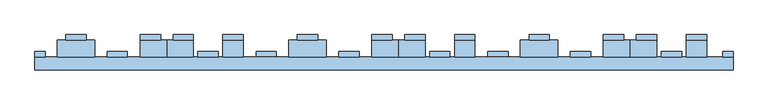
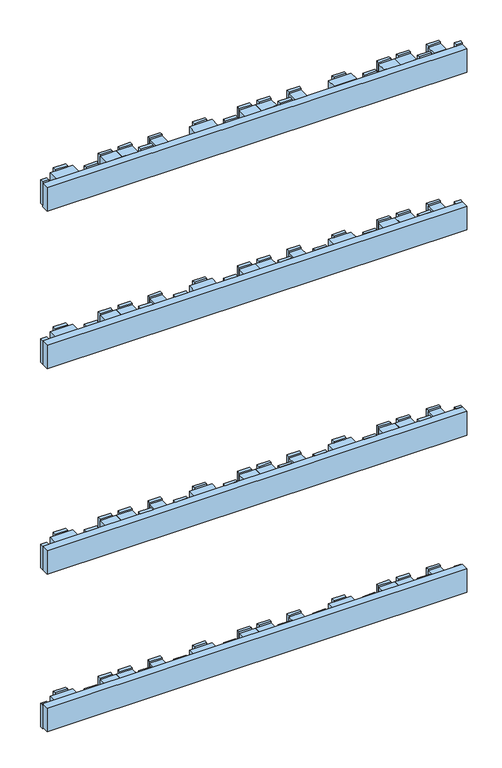
"""IFC4 building model written with IfcOpenShell, lengths in millimetres: window geometry."""

from ifc_helpers import new_model, si_unit, frame, origin, place, context, project, spatial, polyline, outline, extrude, source, transform, mapped, element, save


def window_271aa2dc(model_context):
    return source(origin(), model_context, "Body", "SweptSolid", [
        extrude(outline(polyline([(463.4988192, -10.0), (463.4988192, 16.0), (494.4988192, 16.0), (494.4988192, -10.0), (463.4988192, -10.0)])), frame((0.0, 0.0, 1523.0), z_axis=(0.0, 0.0, 1.0), x_axis=(1.0, 0.0, 0.0)), (0.0, 0.0, 1.0), 55.0),
        extrude(outline(polyline([(463.4988192, -10.0), (463.4988192, 16.0), (494.4988192, 16.0), (494.4988192, -10.0), (463.4988192, -10.0)])), frame((0.0, 0.0, 1097.5), z_axis=(0.0, 0.0, 1.0), x_axis=(1.0, 0.0, 0.0)), (0.0, 0.0, 1.0), 55.0),
        extrude(outline(polyline([(463.4988192, -10.0), (463.4988192, 16.0), (494.4988192, 16.0), (494.4988192, -10.0), (463.4988192, -10.0)])), frame((0.0, 0.0, 547.5), z_axis=(0.0, 0.0, 1.0), x_axis=(1.0, 0.0, 0.0)), (0.0, 0.0, 1.0), 55.0),
        extrude(outline(polyline([(463.4988192, -10.0), (463.4988192, 16.0), (494.4988192, 16.0), (494.4988192, -10.0), (463.4988192, -10.0)])), frame((0.0, 0.0, 121.986838), z_axis=(0.0, 0.0, 1.0), x_axis=(1.0, 0.0, 0.0)), (0.0, 0.0, 1.0), 55.0),
        extrude(outline(polyline([(463.4988192, 16.0), (463.4988192, 23.9), (494.4988192, 23.9), (494.4988192, 16.0), (463.4988192, 16.0)])), frame((0.0, 0.0, 1093.5), z_axis=(0.0, 0.0, 1.0), x_axis=(1.0, 0.0, 0.0)), (0.0, 0.0, 1.0), 63.0),
        extrude(outline(polyline([(463.4988192, 16.0), (463.4988192, 23.9), (494.4988192, 23.9), (494.4988192, 16.0), (463.4988192, 16.0)])), frame((0.0, 0.0, 543.5), z_axis=(0.0, 0.0, 1.0), x_axis=(1.0, 0.0, 0.0)), (0.0, 0.0, 1.0), 63.0),
        extrude(outline(polyline([(463.4988192, 16.0), (463.4988192, 23.9), (494.4988192, 23.9), (494.4988192, 16.0), (463.4988192, 16.0)])), frame((0.0, 0.0, 1519.0), z_axis=(0.0, 0.0, 1.0), x_axis=(1.0, 0.0, 0.0)), (0.0, 0.0, 1.0), 63.0),
        extrude(outline(polyline([(463.4988192, 16.0), (463.4988192, 23.9), (494.4988192, 23.9), (494.4988192, 16.0), (463.4988192, 16.0)])), frame((0.0, 0.0, 118.0), z_axis=(0.0, 0.0, 1.0), x_axis=(1.0, 0.0, 0.0)), (0.0, 0.0, 1.0), 63.0),
        extrude(outline(polyline([(425.4988192, -10.0), (425.4988192, -2.1), (456.4988192, -2.1), (456.4988192, -10.0), (425.4988192, -10.0)])), frame((0.0, 0.0, 1093.5), z_axis=(0.0, 0.0, 1.0), x_axis=(1.0, 0.0, 0.0)), (0.0, 0.0, 1.0), 63.0),
        extrude(outline(polyline([(425.4988192, -10.0), (425.4988192, -2.1), (456.4988192, -2.1), (456.4988192, -10.0), (425.4988192, -10.0)])), frame((0.0, 0.0, 543.5), z_axis=(0.0, 0.0, 1.0), x_axis=(1.0, 0.0, 0.0)), (0.0, 0.0, 1.0), 63.0),
        extrude(outline(polyline([(425.4988192, -10.0), (425.4988192, -2.1), (456.4988192, -2.1), (456.4988192, -10.0), (425.4988192, -10.0)])), frame((0.0, 0.0, 1519.0), z_axis=(0.0, 0.0, 1.0), x_axis=(1.0, 0.0, 0.0)), (0.0, 0.0, 1.0), 63.0),
        extrude(outline(polyline([(425.4988192, -10.0), (425.4988192, -2.1), (456.4988192, -2.1), (456.4988192, -10.0), (425.4988192, -10.0)])), frame((0.0, 0.0, 118.0), z_axis=(0.0, 0.0, 1.0), x_axis=(1.0, 0.0, 0.0)), (0.0, 0.0, 1.0), 63.0),
        extrude(outline(polyline([(378.5, -10.0), (378.5, 16.0), (418.5, 16.0), (418.5, -10.0), (378.5, -10.0)])), frame((0.0, 0.0, 1523.0), z_axis=(0.0, 0.0, 1.0), x_axis=(1.0, 0.0, 0.0)), (0.0, 0.0, 1.0), 55.0),
        extrude(outline(polyline([(378.5, -10.0), (378.5, 16.0), (418.5, 16.0), (418.5, -10.0), (378.5, -10.0)])), frame((0.0, 0.0, 1097.5), z_axis=(0.0, 0.0, 1.0), x_axis=(1.0, 0.0, 0.0)), (0.0, 0.0, 1.0), 55.0),
        extrude(outline(polyline([(378.5, -10.0), (378.5, 16.0), (418.5, 16.0), (418.5, -10.0), (378.5, -10.0)])), frame((0.0, 0.0, 547.5), z_axis=(0.0, 0.0, 1.0), x_axis=(1.0, 0.0, 0.0)), (0.0, 0.0, 1.0), 55.0),
        extrude(outline(polyline([(378.5, -10.0), (378.5, 16.0), (418.5, 16.0), (418.5, -10.0), (378.5, -10.0)])), frame((0.0, 0.0, 121.986838), z_axis=(0.0, 0.0, 1.0), x_axis=(1.0, 0.0, 0.0)), (0.0, 0.0, 1.0), 55.0),
        extrude(outline(polyline([(387.5, 16.0), (387.5, 23.9), (418.5, 23.9), (418.5, 16.0), (387.5, 16.0)])), frame((0.0, 0.0, 1093.5), z_axis=(0.0, 0.0, 1.0), x_axis=(1.0, 0.0, 0.0)), (0.0, 0.0, 1.0), 63.0),
        extrude(outline(polyline([(387.5, 16.0), (387.5, 23.9), (418.5, 23.9), (418.5, 16.0), (387.5, 16.0)])), frame((0.0, 0.0, 543.5), z_axis=(0.0, 0.0, 1.0), x_axis=(1.0, 0.0, 0.0)), (0.0, 0.0, 1.0), 63.0),
        extrude(outline(polyline([(387.5, 16.0), (387.5, 23.9), (418.5, 23.9), (418.5, 16.0), (387.5, 16.0)])), frame((0.0, 0.0, 1519.0), z_axis=(0.0, 0.0, 1.0), x_axis=(1.0, 0.0, 0.0)), (0.0, 0.0, 1.0), 63.0),
        extrude(outline(polyline([(387.5, 16.0), (387.5, 23.9), (418.5, 23.9), (418.5, 16.0), (387.5, 16.0)])), frame((0.0, 0.0, 118.0), z_axis=(0.0, 0.0, 1.0), x_axis=(1.0, 0.0, 0.0)), (0.0, 0.0, 1.0), 63.0),
        extrude(outline(polyline([(337.5, -10.0), (337.5, 16.0), (378.5, 16.0), (378.5, -10.0), (337.5, -10.0)])), frame((0.0, 0.0, 1523.0), z_axis=(0.0, 0.0, 1.0), x_axis=(1.0, 0.0, 0.0)), (0.0, 0.0, 1.0), 55.0),
        extrude(outline(polyline([(337.5, -10.0), (337.5, 16.0), (378.5, 16.0), (378.5, -10.0), (337.5, -10.0)])), frame((0.0, 0.0, 1097.5), z_axis=(0.0, 0.0, 1.0), x_axis=(1.0, 0.0, 0.0)), (0.0, 0.0, 1.0), 55.0),
        extrude(outline(polyline([(337.5, -10.0), (337.5, 16.0), (378.5, 16.0), (378.5, -10.0), (337.5, -10.0)])), frame((0.0, 0.0, 547.5), z_axis=(0.0, 0.0, 1.0), x_axis=(1.0, 0.0, 0.0)), (0.0, 0.0, 1.0), 55.0),
        extrude(outline(polyline([(337.5, -10.0), (337.5, 16.0), (378.5, 16.0), (378.5, -10.0), (337.5, -10.0)])), frame((0.0, 0.0, 121.986838), z_axis=(0.0, 0.0, 1.0), x_axis=(1.0, 0.0, 0.0)), (0.0, 0.0, 1.0), 55.0),
        extrude(outline(polyline([(337.5, 16.0), (337.5, 23.9), (368.5, 23.9), (368.5, 16.0), (337.5, 16.0)])), frame((0.0, 0.0, 1093.5), z_axis=(0.0, 0.0, 1.0), x_axis=(1.0, 0.0, 0.0)), (0.0, 0.0, 1.0), 63.0),
        extrude(outline(polyline([(337.5, 16.0), (337.5, 23.9), (368.5, 23.9), (368.5, 16.0), (337.5, 16.0)])), frame((0.0, 0.0, 543.5), z_axis=(0.0, 0.0, 1.0), x_axis=(1.0, 0.0, 0.0)), (0.0, 0.0, 1.0), 63.0),
        extrude(outline(polyline([(337.5, 16.0), (337.5, 23.9), (368.5, 23.9), (368.5, 16.0), (337.5, 16.0)])), frame((0.0, 0.0, 1519.0), z_axis=(0.0, 0.0, 1.0), x_axis=(1.0, 0.0, 0.0)), (0.0, 0.0, 1.0), 63.0),
        extrude(outline(polyline([(337.5, 16.0), (337.5, 23.9), (368.5, 23.9), (368.5, 16.0), (337.5, 16.0)])), frame((0.0, 0.0, 118.0), z_axis=(0.0, 0.0, 1.0), x_axis=(1.0, 0.0, 0.0)), (0.0, 0.0, 1.0), 63.0),
        extrude(outline(polyline([(287.0, -10.0), (287.0, -2.1), (318.0, -2.1), (318.0, -10.0), (287.0, -10.0)])), frame((0.0, 0.0, 1093.5), z_axis=(0.0, 0.0, 1.0), x_axis=(1.0, 0.0, 0.0)), (0.0, 0.0, 1.0), 63.0),
        extrude(outline(polyline([(287.0, -10.0), (287.0, -2.1), (318.0, -2.1), (318.0, -10.0), (287.0, -10.0)])), frame((0.0, 0.0, 543.5), z_axis=(0.0, 0.0, 1.0), x_axis=(1.0, 0.0, 0.0)), (0.0, 0.0, 1.0), 63.0),
        extrude(outline(polyline([(287.0, -10.0), (287.0, -2.1), (318.0, -2.1), (318.0, -10.0), (287.0, -10.0)])), frame((0.0, 0.0, 1519.0), z_axis=(0.0, 0.0, 1.0), x_axis=(1.0, 0.0, 0.0)), (0.0, 0.0, 1.0), 63.0),
        extrude(outline(polyline([(287.0, -10.0), (287.0, -2.1), (318.0, -2.1), (318.0, -10.0), (287.0, -10.0)])), frame((0.0, 0.0, 118.0), z_axis=(0.0, 0.0, 1.0), x_axis=(1.0, 0.0, 0.0)), (0.0, 0.0, 1.0), 63.0),
        extrude(outline(polyline([(211.0, -10.0), (211.0, 16.0), (268.0, 16.0), (268.0, -10.0), (211.0, -10.0)])), frame((0.0, 0.0, 1523.0), z_axis=(0.0, 0.0, 1.0), x_axis=(1.0, 0.0, 0.0)), (0.0, 0.0, 1.0), 55.0),
        extrude(outline(polyline([(211.0, -10.0), (211.0, 16.0), (268.0, 16.0), (268.0, -10.0), (211.0, -10.0)])), frame((0.0, 0.0, 1097.5), z_axis=(0.0, 0.0, 1.0), x_axis=(1.0, 0.0, 0.0)), (0.0, 0.0, 1.0), 55.0),
        extrude(outline(polyline([(211.0, -10.0), (211.0, 16.0), (268.0, 16.0), (268.0, -10.0), (211.0, -10.0)])), frame((0.0, 0.0, 547.5), z_axis=(0.0, 0.0, 1.0), x_axis=(1.0, 0.0, 0.0)), (0.0, 0.0, 1.0), 55.0),
        extrude(outline(polyline([(211.0, -10.0), (211.0, 16.0), (268.0, 16.0), (268.0, -10.0), (211.0, -10.0)])), frame((0.0, 0.0, 121.986838), z_axis=(0.0, 0.0, 1.0), x_axis=(1.0, 0.0, 0.0)), (0.0, 0.0, 1.0), 55.0),
        extrude(outline(polyline([(224.0, 16.0), (224.0, 23.9), (255.0, 23.9), (255.0, 16.0), (224.0, 16.0)])), frame((0.0, 0.0, 1093.5), z_axis=(0.0, 0.0, 1.0), x_axis=(1.0, 0.0, 0.0)), (0.0, 0.0, 1.0), 63.0),
        extrude(outline(polyline([(224.0, 16.0), (224.0, 23.9), (255.0, 23.9), (255.0, 16.0), (224.0, 16.0)])), frame((0.0, 0.0, 543.5), z_axis=(0.0, 0.0, 1.0), x_axis=(1.0, 0.0, 0.0)), (0.0, 0.0, 1.0), 63.0),
        extrude(outline(polyline([(224.0, 16.0), (224.0, 23.9), (255.0, 23.9), (255.0, 16.0), (224.0, 16.0)])), frame((0.0, 0.0, 1519.0), z_axis=(0.0, 0.0, 1.0), x_axis=(1.0, 0.0, 0.0)), (0.0, 0.0, 1.0), 63.0),
        extrude(outline(polyline([(224.0, 16.0), (224.0, 23.9), (255.0, 23.9), (255.0, 16.0), (224.0, 16.0)])), frame((0.0, 0.0, 118.0), z_axis=(0.0, 0.0, 1.0), x_axis=(1.0, 0.0, 0.0)), (0.0, 0.0, 1.0), 63.0),
        extrude(outline(polyline([(110.4988192, -10.0), (110.4988192, 16.0), (141.4988192, 16.0), (141.4988192, -10.0), (110.4988192, -10.0)])), frame((0.0, 0.0, 1523.0), z_axis=(0.0, 0.0, 1.0), x_axis=(1.0, 0.0, 0.0)), (0.0, 0.0, 1.0), 55.0),
        extrude(outline(polyline([(110.4988192, -10.0), (110.4988192, 16.0), (141.4988192, 16.0), (141.4988192, -10.0), (110.4988192, -10.0)])), frame((0.0, 0.0, 1097.5), z_axis=(0.0, 0.0, 1.0), x_axis=(1.0, 0.0, 0.0)), (0.0, 0.0, 1.0), 55.0),
        extrude(outline(polyline([(110.4988192, -10.0), (110.4988192, 16.0), (141.4988192, 16.0), (141.4988192, -10.0), (110.4988192, -10.0)])), frame((0.0, 0.0, 547.5), z_axis=(0.0, 0.0, 1.0), x_axis=(1.0, 0.0, 0.0)), (0.0, 0.0, 1.0), 55.0),
        extrude(outline(polyline([(110.4988192, -10.0), (110.4988192, 16.0), (141.4988192, 16.0), (141.4988192, -10.0), (110.4988192, -10.0)])), frame((0.0, 0.0, 121.986838), z_axis=(0.0, 0.0, 1.0), x_axis=(1.0, 0.0, 0.0)), (0.0, 0.0, 1.0), 55.0),
        extrude(outline(polyline([(110.4988192, 16.0), (110.4988192, 23.9), (141.4988192, 23.9), (141.4988192, 16.0), (110.4988192, 16.0)])), frame((0.0, 0.0, 1093.5), z_axis=(0.0, 0.0, 1.0), x_axis=(1.0, 0.0, 0.0)), (0.0, 0.0, 1.0), 63.0),
        extrude(outline(polyline([(110.4988192, 16.0), (110.4988192, 23.9), (141.4988192, 23.9), (141.4988192, 16.0), (110.4988192, 16.0)])), frame((0.0, 0.0, 543.5), z_axis=(0.0, 0.0, 1.0), x_axis=(1.0, 0.0, 0.0)), (0.0, 0.0, 1.0), 63.0),
        extrude(outline(polyline([(110.4988192, 16.0), (110.4988192, 23.9), (141.4988192, 23.9), (141.4988192, 16.0), (110.4988192, 16.0)])), frame((0.0, 0.0, 1519.0), z_axis=(0.0, 0.0, 1.0), x_axis=(1.0, 0.0, 0.0)), (0.0, 0.0, 1.0), 63.0),
        extrude(outline(polyline([(110.4988192, 16.0), (110.4988192, 23.9), (141.4988192, 23.9), (141.4988192, 16.0), (110.4988192, 16.0)])), frame((0.0, 0.0, 118.0), z_axis=(0.0, 0.0, 1.0), x_axis=(1.0, 0.0, 0.0)), (0.0, 0.0, 1.0), 63.0),
        extrude(outline(polyline([(72.4988192, -10.0), (72.4988192, -2.1), (103.4988192, -2.1), (103.4988192, -10.0), (72.4988192, -10.0)])), frame((0.0, 0.0, 1093.5), z_axis=(0.0, 0.0, 1.0), x_axis=(1.0, 0.0, 0.0)), (0.0, 0.0, 1.0), 63.0),
        extrude(outline(polyline([(72.4988192, -10.0), (72.4988192, -2.1), (103.4988192, -2.1), (103.4988192, -10.0), (72.4988192, -10.0)])), frame((0.0, 0.0, 543.5), z_axis=(0.0, 0.0, 1.0), x_axis=(1.0, 0.0, 0.0)), (0.0, 0.0, 1.0), 63.0),
        extrude(outline(polyline([(72.4988192, -10.0), (72.4988192, -2.1), (103.4988192, -2.1), (103.4988192, -10.0), (72.4988192, -10.0)])), frame((0.0, 0.0, 1519.0), z_axis=(0.0, 0.0, 1.0), x_axis=(1.0, 0.0, 0.0)), (0.0, 0.0, 1.0), 63.0),
        extrude(outline(polyline([(72.4988192, -10.0), (72.4988192, -2.1), (103.4988192, -2.1), (103.4988192, -10.0), (72.4988192, -10.0)])), frame((0.0, 0.0, 118.0), z_axis=(0.0, 0.0, 1.0), x_axis=(1.0, 0.0, 0.0)), (0.0, 0.0, 1.0), 63.0),
        extrude(outline(polyline([(34.5, 16.0), (34.5, 23.9), (65.5, 23.9), (65.5, 16.0), (34.5, 16.0)])), frame((0.0, 0.0, 118.0), z_axis=(0.0, 0.0, 1.0), x_axis=(1.0, 0.0, 0.0)), (0.0, 0.0, 1.0), 63.0),
        extrude(outline(polyline([(34.5, 16.0), (34.5, 23.9), (65.5, 23.9), (65.5, 16.0), (34.5, 16.0)])), frame((0.0, 0.0, 1519.0), z_axis=(0.0, 0.0, 1.0), x_axis=(1.0, 0.0, 0.0)), (0.0, 0.0, 1.0), 63.0),
        extrude(outline(polyline([(34.5, 16.0), (34.5, 23.9), (65.5, 23.9), (65.5, 16.0), (34.5, 16.0)])), frame((0.0, 0.0, 543.5), z_axis=(0.0, 0.0, 1.0), x_axis=(1.0, 0.0, 0.0)), (0.0, 0.0, 1.0), 63.0),
        extrude(outline(polyline([(34.5, 16.0), (34.5, 23.9), (65.5, 23.9), (65.5, 16.0), (34.5, 16.0)])), frame((0.0, 0.0, 1093.5), z_axis=(0.0, 0.0, 1.0), x_axis=(1.0, 0.0, 0.0)), (0.0, 0.0, 1.0), 63.0),
        extrude(outline(polyline([(25.5, -10.0), (25.5, 16.0), (65.5, 16.0), (65.5, -10.0), (25.5, -10.0)])), frame((0.0, 0.0, 121.986838), z_axis=(0.0, 0.0, 1.0), x_axis=(1.0, 0.0, 0.0)), (0.0, 0.0, 1.0), 55.0),
        extrude(outline(polyline([(25.5, -10.0), (25.5, 16.0), (65.5, 16.0), (65.5, -10.0), (25.5, -10.0)])), frame((0.0, 0.0, 547.5), z_axis=(0.0, 0.0, 1.0), x_axis=(1.0, 0.0, 0.0)), (0.0, 0.0, 1.0), 55.0),
        extrude(outline(polyline([(25.5, -10.0), (25.5, 16.0), (65.5, 16.0), (65.5, -10.0), (25.5, -10.0)])), frame((0.0, 0.0, 1097.5), z_axis=(0.0, 0.0, 1.0), x_axis=(1.0, 0.0, 0.0)), (0.0, 0.0, 1.0), 55.0),
        extrude(outline(polyline([(25.5, -10.0), (25.5, 16.0), (65.5, 16.0), (65.5, -10.0), (25.5, -10.0)])), frame((0.0, 0.0, 1523.0), z_axis=(0.0, 0.0, 1.0), x_axis=(1.0, 0.0, 0.0)), (0.0, 0.0, 1.0), 55.0),
        extrude(outline(polyline([(-15.5, 16.0), (-15.5, 23.9), (15.5, 23.9), (15.5, 16.0), (-15.5, 16.0)])), frame((0.0, 0.0, 118.0), z_axis=(0.0, 0.0, 1.0), x_axis=(1.0, 0.0, 0.0)), (0.0, 0.0, 1.0), 63.0),
        extrude(outline(polyline([(-15.5, 16.0), (-15.5, 23.9), (15.5, 23.9), (15.5, 16.0), (-15.5, 16.0)])), frame((0.0, 0.0, 1519.0), z_axis=(0.0, 0.0, 1.0), x_axis=(1.0, 0.0, 0.0)), (0.0, 0.0, 1.0), 63.0),
        extrude(outline(polyline([(-15.5, 16.0), (-15.5, 23.9), (15.5, 23.9), (15.5, 16.0), (-15.5, 16.0)])), frame((0.0, 0.0, 543.5), z_axis=(0.0, 0.0, 1.0), x_axis=(1.0, 0.0, 0.0)), (0.0, 0.0, 1.0), 63.0),
        extrude(outline(polyline([(-15.5, 16.0), (-15.5, 23.9), (15.5, 23.9), (15.5, 16.0), (-15.5, 16.0)])), frame((0.0, 0.0, 1093.5), z_axis=(0.0, 0.0, 1.0), x_axis=(1.0, 0.0, 0.0)), (0.0, 0.0, 1.0), 63.0),
        extrude(outline(polyline([(-15.5, -10.0), (-15.5, 16.0), (25.5, 16.0), (25.5, -10.0), (-15.5, -10.0)])), frame((0.0, 0.0, 121.986838), z_axis=(0.0, 0.0, 1.0), x_axis=(1.0, 0.0, 0.0)), (0.0, 0.0, 1.0), 55.0),
        extrude(outline(polyline([(-15.5, -10.0), (-15.5, 16.0), (25.5, 16.0), (25.5, -10.0), (-15.5, -10.0)])), frame((0.0, 0.0, 547.5), z_axis=(0.0, 0.0, 1.0), x_axis=(1.0, 0.0, 0.0)), (0.0, 0.0, 1.0), 55.0),
        extrude(outline(polyline([(-15.5, -10.0), (-15.5, 16.0), (25.5, 16.0), (25.5, -10.0), (-15.5, -10.0)])), frame((0.0, 0.0, 1097.5), z_axis=(0.0, 0.0, 1.0), x_axis=(1.0, 0.0, 0.0)), (0.0, 0.0, 1.0), 55.0),
        extrude(outline(polyline([(-15.5, -10.0), (-15.5, 16.0), (25.5, 16.0), (25.5, -10.0), (-15.5, -10.0)])), frame((0.0, 0.0, 1523.0), z_axis=(0.0, 0.0, 1.0), x_axis=(1.0, 0.0, 0.0)), (0.0, 0.0, 1.0), 55.0),
        extrude(outline(polyline([(-66.0, -10.0), (-66.0, -2.1), (-35.0, -2.1), (-35.0, -10.0), (-66.0, -10.0)])), frame((0.0, 0.0, 1093.5), z_axis=(0.0, 0.0, 1.0), x_axis=(1.0, 0.0, 0.0)), (0.0, 0.0, 1.0), 63.0),
        extrude(outline(polyline([(-66.0, -10.0), (-66.0, -2.1), (-35.0, -2.1), (-35.0, -10.0), (-66.0, -10.0)])), frame((0.0, 0.0, 543.5), z_axis=(0.0, 0.0, 1.0), x_axis=(1.0, 0.0, 0.0)), (0.0, 0.0, 1.0), 63.0),
        extrude(outline(polyline([(-66.0, -10.0), (-66.0, -2.1), (-35.0, -2.1), (-35.0, -10.0), (-66.0, -10.0)])), frame((0.0, 0.0, 1519.0), z_axis=(0.0, 0.0, 1.0), x_axis=(1.0, 0.0, 0.0)), (0.0, 0.0, 1.0), 63.0),
        extrude(outline(polyline([(-66.0, -10.0), (-66.0, -2.1), (-35.0, -2.1), (-35.0, -10.0), (-66.0, -10.0)])), frame((0.0, 0.0, 118.0), z_axis=(0.0, 0.0, 1.0), x_axis=(1.0, 0.0, 0.0)), (0.0, 0.0, 1.0), 63.0),
        extrude(outline(polyline([(-142.0, -10.0), (-142.0, 16.0), (-85.0, 16.0), (-85.0, -10.0), (-142.0, -10.0)])), frame((0.0, 0.0, 1523.0), z_axis=(0.0, 0.0, 1.0), x_axis=(1.0, 0.0, 0.0)), (0.0, 0.0, 1.0), 55.0),
        extrude(outline(polyline([(-142.0, -10.0), (-142.0, 16.0), (-85.0, 16.0), (-85.0, -10.0), (-142.0, -10.0)])), frame((0.0, 0.0, 1097.5), z_axis=(0.0, 0.0, 1.0), x_axis=(1.0, 0.0, 0.0)), (0.0, 0.0, 1.0), 55.0),
        extrude(outline(polyline([(-142.0, -10.0), (-142.0, 16.0), (-85.0, 16.0), (-85.0, -10.0), (-142.0, -10.0)])), frame((0.0, 0.0, 547.5), z_axis=(0.0, 0.0, 1.0), x_axis=(1.0, 0.0, 0.0)), (0.0, 0.0, 1.0), 55.0),
        extrude(outline(polyline([(-142.0, -10.0), (-142.0, 16.0), (-85.0, 16.0), (-85.0, -10.0), (-142.0, -10.0)])), frame((0.0, 0.0, 121.986838), z_axis=(0.0, 0.0, 1.0), x_axis=(1.0, 0.0, 0.0)), (0.0, 0.0, 1.0), 55.0),
        extrude(outline(polyline([(-129.0, 16.0), (-129.0, 23.9), (-98.0, 23.9), (-98.0, 16.0), (-129.0, 16.0)])), frame((0.0, 0.0, 1093.5), z_axis=(0.0, 0.0, 1.0), x_axis=(1.0, 0.0, 0.0)), (0.0, 0.0, 1.0), 63.0),
        extrude(outline(polyline([(-129.0, 16.0), (-129.0, 23.9), (-98.0, 23.9), (-98.0, 16.0), (-129.0, 16.0)])), frame((0.0, 0.0, 543.5), z_axis=(0.0, 0.0, 1.0), x_axis=(1.0, 0.0, 0.0)), (0.0, 0.0, 1.0), 63.0),
        extrude(outline(polyline([(-129.0, 16.0), (-129.0, 23.9), (-98.0, 23.9), (-98.0, 16.0), (-129.0, 16.0)])), frame((0.0, 0.0, 1519.0), z_axis=(0.0, 0.0, 1.0), x_axis=(1.0, 0.0, 0.0)), (0.0, 0.0, 1.0), 63.0),
        extrude(outline(polyline([(-129.0, 16.0), (-129.0, 23.9), (-98.0, 23.9), (-98.0, 16.0), (-129.0, 16.0)])), frame((0.0, 0.0, 118.0), z_axis=(0.0, 0.0, 1.0), x_axis=(1.0, 0.0, 0.0)), (0.0, 0.0, 1.0), 63.0),
        extrude(outline(polyline([(-242.5011808, -10.0), (-242.5011808, 16.0), (-211.5011808, 16.0), (-211.5011808, -10.0), (-242.5011808, -10.0)])), frame((0.0, 0.0, 1523.0), z_axis=(0.0, 0.0, 1.0), x_axis=(1.0, 0.0, 0.0)), (0.0, 0.0, 1.0), 55.0),
        extrude(outline(polyline([(-242.5011808, -10.0), (-242.5011808, 16.0), (-211.5011808, 16.0), (-211.5011808, -10.0), (-242.5011808, -10.0)])), frame((0.0, 0.0, 1097.5), z_axis=(0.0, 0.0, 1.0), x_axis=(1.0, 0.0, 0.0)), (0.0, 0.0, 1.0), 55.0),
        extrude(outline(polyline([(-242.5011808, -10.0), (-242.5011808, 16.0), (-211.5011808, 16.0), (-211.5011808, -10.0), (-242.5011808, -10.0)])), frame((0.0, 0.0, 547.5), z_axis=(0.0, 0.0, 1.0), x_axis=(1.0, 0.0, 0.0)), (0.0, 0.0, 1.0), 55.0),
        extrude(outline(polyline([(-242.5011808, -10.0), (-242.5011808, 16.0), (-211.5011808, 16.0), (-211.5011808, -10.0), (-242.5011808, -10.0)])), frame((0.0, 0.0, 121.986838), z_axis=(0.0, 0.0, 1.0), x_axis=(1.0, 0.0, 0.0)), (0.0, 0.0, 1.0), 55.0),
        extrude(outline(polyline([(-242.5011808, 16.0), (-242.5011808, 23.9), (-211.5011808, 23.9), (-211.5011808, 16.0), (-242.5011808, 16.0)])), frame((0.0, 0.0, 1093.5), z_axis=(0.0, 0.0, 1.0), x_axis=(1.0, 0.0, 0.0)), (0.0, 0.0, 1.0), 63.0),
        extrude(outline(polyline([(-242.5011808, 16.0), (-242.5011808, 23.9), (-211.5011808, 23.9), (-211.5011808, 16.0), (-242.5011808, 16.0)])), frame((0.0, 0.0, 543.5), z_axis=(0.0, 0.0, 1.0), x_axis=(1.0, 0.0, 0.0)), (0.0, 0.0, 1.0), 63.0),
        extrude(outline(polyline([(-242.5011808, 16.0), (-242.5011808, 23.9), (-211.5011808, 23.9), (-211.5011808, 16.0), (-242.5011808, 16.0)])), frame((0.0, 0.0, 1519.0), z_axis=(0.0, 0.0, 1.0), x_axis=(1.0, 0.0, 0.0)), (0.0, 0.0, 1.0), 63.0),
        extrude(outline(polyline([(-242.5011808, 16.0), (-242.5011808, 23.9), (-211.5011808, 23.9), (-211.5011808, 16.0), (-242.5011808, 16.0)])), frame((0.0, 0.0, 118.0), z_axis=(0.0, 0.0, 1.0), x_axis=(1.0, 0.0, 0.0)), (0.0, 0.0, 1.0), 63.0),
        extrude(outline(polyline([(-280.5011808, -10.0), (-280.5011808, -2.1), (-249.5011808, -2.1), (-249.5011808, -10.0), (-280.5011808, -10.0)])), frame((0.0, 0.0, 1093.5), z_axis=(0.0, 0.0, 1.0), x_axis=(1.0, 0.0, 0.0)), (0.0, 0.0, 1.0), 63.0),
        extrude(outline(polyline([(-280.5011808, -10.0), (-280.5011808, -2.1), (-249.5011808, -2.1), (-249.5011808, -10.0), (-280.5011808, -10.0)])), frame((0.0, 0.0, 543.5), z_axis=(0.0, 0.0, 1.0), x_axis=(1.0, 0.0, 0.0)), (0.0, 0.0, 1.0), 63.0),
        extrude(outline(polyline([(-280.5011808, -10.0), (-280.5011808, -2.1), (-249.5011808, -2.1), (-249.5011808, -10.0), (-280.5011808, -10.0)])), frame((0.0, 0.0, 1519.0), z_axis=(0.0, 0.0, 1.0), x_axis=(1.0, 0.0, 0.0)), (0.0, 0.0, 1.0), 63.0),
        extrude(outline(polyline([(-280.5011808, -10.0), (-280.5011808, -2.1), (-249.5011808, -2.1), (-249.5011808, -10.0), (-280.5011808, -10.0)])), frame((0.0, 0.0, 118.0), z_axis=(0.0, 0.0, 1.0), x_axis=(1.0, 0.0, 0.0)), (0.0, 0.0, 1.0), 63.0),
        extrude(outline(polyline([(-327.5, -10.0), (-327.5, 16.0), (-287.5, 16.0), (-287.5, -10.0), (-327.5, -10.0)])), frame((0.0, 0.0, 1523.0), z_axis=(0.0, 0.0, 1.0), x_axis=(1.0, 0.0, 0.0)), (0.0, 0.0, 1.0), 55.0),
        extrude(outline(polyline([(-327.5, -10.0), (-327.5, 16.0), (-287.5, 16.0), (-287.5, -10.0), (-327.5, -10.0)])), frame((0.0, 0.0, 1097.5), z_axis=(0.0, 0.0, 1.0), x_axis=(1.0, 0.0, 0.0)), (0.0, 0.0, 1.0), 55.0),
        extrude(outline(polyline([(-327.5, -10.0), (-327.5, 16.0), (-287.5, 16.0), (-287.5, -10.0), (-327.5, -10.0)])), frame((0.0, 0.0, 547.5), z_axis=(0.0, 0.0, 1.0), x_axis=(1.0, 0.0, 0.0)), (0.0, 0.0, 1.0), 55.0),
        extrude(outline(polyline([(-327.5, -10.0), (-327.5, 16.0), (-287.5, 16.0), (-287.5, -10.0), (-327.5, -10.0)])), frame((0.0, 0.0, 121.986838), z_axis=(0.0, 0.0, 1.0), x_axis=(1.0, 0.0, 0.0)), (0.0, 0.0, 1.0), 55.0),
        extrude(outline(polyline([(-318.5, 16.0), (-318.5, 23.9), (-287.5, 23.9), (-287.5, 16.0), (-318.5, 16.0)])), frame((0.0, 0.0, 1093.5), z_axis=(0.0, 0.0, 1.0), x_axis=(1.0, 0.0, 0.0)), (0.0, 0.0, 1.0), 63.0),
        extrude(outline(polyline([(-318.5, 16.0), (-318.5, 23.9), (-287.5, 23.9), (-287.5, 16.0), (-318.5, 16.0)])), frame((0.0, 0.0, 543.5), z_axis=(0.0, 0.0, 1.0), x_axis=(1.0, 0.0, 0.0)), (0.0, 0.0, 1.0), 63.0),
        extrude(outline(polyline([(-318.5, 16.0), (-318.5, 23.9), (-287.5, 23.9), (-287.5, 16.0), (-318.5, 16.0)])), frame((0.0, 0.0, 1519.0), z_axis=(0.0, 0.0, 1.0), x_axis=(1.0, 0.0, 0.0)), (0.0, 0.0, 1.0), 63.0),
        extrude(outline(polyline([(-318.5, 16.0), (-318.5, 23.9), (-287.5, 23.9), (-287.5, 16.0), (-318.5, 16.0)])), frame((0.0, 0.0, 118.0), z_axis=(0.0, 0.0, 1.0), x_axis=(1.0, 0.0, 0.0)), (0.0, 0.0, 1.0), 63.0),
        extrude(outline(polyline([(-368.5, -10.0), (-368.5, 16.0), (-327.5, 16.0), (-327.5, -10.0), (-368.5, -10.0)])), frame((0.0, 0.0, 1523.0), z_axis=(0.0, 0.0, 1.0), x_axis=(1.0, 0.0, 0.0)), (0.0, 0.0, 1.0), 55.0),
        extrude(outline(polyline([(-368.5, -10.0), (-368.5, 16.0), (-327.5, 16.0), (-327.5, -10.0), (-368.5, -10.0)])), frame((0.0, 0.0, 1097.5), z_axis=(0.0, 0.0, 1.0), x_axis=(1.0, 0.0, 0.0)), (0.0, 0.0, 1.0), 55.0),
        extrude(outline(polyline([(-368.5, -10.0), (-368.5, 16.0), (-327.5, 16.0), (-327.5, -10.0), (-368.5, -10.0)])), frame((0.0, 0.0, 547.5), z_axis=(0.0, 0.0, 1.0), x_axis=(1.0, 0.0, 0.0)), (0.0, 0.0, 1.0), 55.0),
        extrude(outline(polyline([(-368.5, -10.0), (-368.5, 16.0), (-327.5, 16.0), (-327.5, -10.0), (-368.5, -10.0)])), frame((0.0, 0.0, 121.986838), z_axis=(0.0, 0.0, 1.0), x_axis=(1.0, 0.0, 0.0)), (0.0, 0.0, 1.0), 55.0),
        extrude(outline(polyline([(-368.5, 16.0), (-368.5, 23.9), (-337.5, 23.9), (-337.5, 16.0), (-368.5, 16.0)])), frame((0.0, 0.0, 1093.5), z_axis=(0.0, 0.0, 1.0), x_axis=(1.0, 0.0, 0.0)), (0.0, 0.0, 1.0), 63.0),
        extrude(outline(polyline([(-368.5, 16.0), (-368.5, 23.9), (-337.5, 23.9), (-337.5, 16.0), (-368.5, 16.0)])), frame((0.0, 0.0, 543.5), z_axis=(0.0, 0.0, 1.0), x_axis=(1.0, 0.0, 0.0)), (0.0, 0.0, 1.0), 63.0),
        extrude(outline(polyline([(-368.5, 16.0), (-368.5, 23.9), (-337.5, 23.9), (-337.5, 16.0), (-368.5, 16.0)])), frame((0.0, 0.0, 1519.0), z_axis=(0.0, 0.0, 1.0), x_axis=(1.0, 0.0, 0.0)), (0.0, 0.0, 1.0), 63.0),
        extrude(outline(polyline([(-368.5, 16.0), (-368.5, 23.9), (-337.5, 23.9), (-337.5, 16.0), (-368.5, 16.0)])), frame((0.0, 0.0, 118.0), z_axis=(0.0, 0.0, 1.0), x_axis=(1.0, 0.0, 0.0)), (0.0, 0.0, 1.0), 63.0),
        extrude(outline(polyline([(-419.0, -10.0), (-419.0, -2.1), (-388.0, -2.1), (-388.0, -10.0), (-419.0, -10.0)])), frame((0.0, 0.0, 1093.5), z_axis=(0.0, 0.0, 1.0), x_axis=(1.0, 0.0, 0.0)), (0.0, 0.0, 1.0), 63.0),
        extrude(outline(polyline([(-419.0, -10.0), (-419.0, -2.1), (-388.0, -2.1), (-388.0, -10.0), (-419.0, -10.0)])), frame((0.0, 0.0, 543.5), z_axis=(0.0, 0.0, 1.0), x_axis=(1.0, 0.0, 0.0)), (0.0, 0.0, 1.0), 63.0),
        extrude(outline(polyline([(-419.0, -10.0), (-419.0, -2.1), (-388.0, -2.1), (-388.0, -10.0), (-419.0, -10.0)])), frame((0.0, 0.0, 1519.0), z_axis=(0.0, 0.0, 1.0), x_axis=(1.0, 0.0, 0.0)), (0.0, 0.0, 1.0), 63.0),
        extrude(outline(polyline([(-419.0, -10.0), (-419.0, -2.1), (-388.0, -2.1), (-388.0, -10.0), (-419.0, -10.0)])), frame((0.0, 0.0, 118.0), z_axis=(0.0, 0.0, 1.0), x_axis=(1.0, 0.0, 0.0)), (0.0, 0.0, 1.0), 63.0),
        extrude(outline(polyline([(-495.0, -10.0), (-495.0, 16.0), (-438.0, 16.0), (-438.0, -10.0), (-495.0, -10.0)])), frame((0.0, 0.0, 1523.0), z_axis=(0.0, 0.0, 1.0), x_axis=(1.0, 0.0, 0.0)), (0.0, 0.0, 1.0), 55.0),
        extrude(outline(polyline([(-495.0, -10.0), (-495.0, 16.0), (-438.0, 16.0), (-438.0, -10.0), (-495.0, -10.0)])), frame((0.0, 0.0, 1097.5), z_axis=(0.0, 0.0, 1.0), x_axis=(1.0, 0.0, 0.0)), (0.0, 0.0, 1.0), 55.0),
        extrude(outline(polyline([(-495.0, -10.0), (-495.0, 16.0), (-438.0, 16.0), (-438.0, -10.0), (-495.0, -10.0)])), frame((0.0, 0.0, 547.5), z_axis=(0.0, 0.0, 1.0), x_axis=(1.0, 0.0, 0.0)), (0.0, 0.0, 1.0), 55.0),
        extrude(outline(polyline([(-495.0, -10.0), (-495.0, 16.0), (-438.0, 16.0), (-438.0, -10.0), (-495.0, -10.0)])), frame((0.0, 0.0, 121.986838), z_axis=(0.0, 0.0, 1.0), x_axis=(1.0, 0.0, 0.0)), (0.0, 0.0, 1.0), 55.0),
        extrude(outline(polyline([(-482.0, 16.0), (-482.0, 23.9), (-451.0, 23.9), (-451.0, 16.0), (-482.0, 16.0)])), frame((0.0, 0.0, 1093.5), z_axis=(0.0, 0.0, 1.0), x_axis=(1.0, 0.0, 0.0)), (0.0, 0.0, 1.0), 63.0),
        extrude(outline(polyline([(-482.0, 16.0), (-482.0, 23.9), (-451.0, 23.9), (-451.0, 16.0), (-482.0, 16.0)])), frame((0.0, 0.0, 543.5), z_axis=(0.0, 0.0, 1.0), x_axis=(1.0, 0.0, 0.0)), (0.0, 0.0, 1.0), 63.0),
        extrude(outline(polyline([(-482.0, 16.0), (-482.0, 23.9), (-451.0, 23.9), (-451.0, 16.0), (-482.0, 16.0)])), frame((0.0, 0.0, 1519.0), z_axis=(0.0, 0.0, 1.0), x_axis=(1.0, 0.0, 0.0)), (0.0, 0.0, 1.0), 63.0),
        extrude(outline(polyline([(-482.0, 16.0), (-482.0, 23.9), (-451.0, 23.9), (-451.0, 16.0), (-482.0, 16.0)])), frame((0.0, 0.0, 118.0), z_axis=(0.0, 0.0, 1.0), x_axis=(1.0, 0.0, 0.0)), (0.0, 0.0, 1.0), 63.0),
        extrude(outline(polyline([(161.0, -9.9), (161.0, -2.0), (192.0, -2.0), (192.0, -9.9), (161.0, -9.9)])), frame((0.0, 0.0, 1093.5), z_axis=(0.0, 0.0, 1.0), x_axis=(1.0, 0.0, 0.0)), (0.0, 0.0, 1.0), 63.0),
        extrude(outline(polyline([(161.0, -9.9), (161.0, -2.0), (192.0, -2.0), (192.0, -9.9), (161.0, -9.9)])), frame((0.0, 0.0, 543.5), z_axis=(0.0, 0.0, 1.0), x_axis=(1.0, 0.0, 0.0)), (0.0, 0.0, 1.0), 63.0),
        extrude(outline(polyline([(161.0, -10.0), (161.0, -2.1), (192.0, -2.1), (192.0, -10.0), (161.0, -10.0)])), frame((0.0, 0.0, 118.0), z_axis=(0.0, 0.0, 1.0), x_axis=(1.0, 0.0, 0.0)), (0.0, 0.0, 1.0), 63.0),
        extrude(outline(polyline([(-192.0, -9.9), (-192.0, -2.0), (-161.0, -2.0), (-161.0, -9.9), (-192.0, -9.9)])), frame((0.0, 0.0, 1093.5), z_axis=(0.0, 0.0, 1.0), x_axis=(1.0, 0.0, 0.0)), (0.0, 0.0, 1.0), 63.0),
        extrude(outline(polyline([(-192.0, -9.9), (-192.0, -2.0), (-161.0, -2.0), (-161.0, -9.9), (-192.0, -9.9)])), frame((0.0, 0.0, 543.5), z_axis=(0.0, 0.0, 1.0), x_axis=(1.0, 0.0, 0.0)), (0.0, 0.0, 1.0), 63.0),
        extrude(outline(polyline([(-192.0, -10.0), (-192.0, -2.1), (-161.0, -2.1), (-161.0, -10.0), (-192.0, -10.0)])), frame((0.0, 0.0, 118.0), z_axis=(0.0, 0.0, 1.0), x_axis=(1.0, 0.0, 0.0)), (0.0, 0.0, 1.0), 63.0),
        extrude(outline(polyline([(519.5, -10.0), (519.5, -2.1), (535.0, -2.1), (535.0, -10.0), (519.5, -10.0)])), frame((0.0, 0.0, 1093.5), z_axis=(0.0, 0.0, 1.0), x_axis=(1.0, 0.0, 0.0)), (0.0, 0.0, 1.0), 63.0),
        extrude(outline(polyline([(519.5, -10.0), (519.5, -2.1), (535.0, -2.1), (535.0, -10.0), (519.5, -10.0)])), frame((0.0, 0.0, 543.5), z_axis=(0.0, 0.0, 1.0), x_axis=(1.0, 0.0, 0.0)), (0.0, 0.0, 1.0), 63.0),
        extrude(outline(polyline([(519.5, -10.0), (519.5, -2.1), (535.0, -2.1), (535.0, -10.0), (519.5, -10.0)])), frame((0.0, 0.0, 1519.0), z_axis=(0.0, 0.0, 1.0), x_axis=(1.0, 0.0, 0.0)), (0.0, 0.0, 1.0), 63.0),
        extrude(outline(polyline([(519.5, -10.0), (519.5, -2.1), (535.0, -2.1), (535.0, -10.0), (519.5, -10.0)])), frame((0.0, 0.0, 118.0), z_axis=(0.0, 0.0, 1.0), x_axis=(1.0, 0.0, 0.0)), (0.0, 0.0, 1.0), 63.0),
        extrude(outline(polyline([(-513.5, -2.1), (-513.5, -10.0), (-529.0, -10.0), (-529.0, -2.1), (-513.5, -2.1)])), frame((0.0, 0.0, 1093.5), z_axis=(0.0, 0.0, 1.0), x_axis=(1.0, 0.0, 0.0)), (0.0, 0.0, 1.0), 63.0),
        extrude(outline(polyline([(-513.5, -2.1), (-513.5, -10.0), (-529.0, -10.0), (-529.0, -2.1), (-513.5, -2.1)])), frame((0.0, 0.0, 543.5), z_axis=(0.0, 0.0, 1.0), x_axis=(1.0, 0.0, 0.0)), (0.0, 0.0, 1.0), 63.0),
        extrude(outline(polyline([(-513.5, -2.1), (-513.5, -10.0), (-529.0, -10.0), (-529.0, -2.1), (-513.5, -2.1)])), frame((0.0, 0.0, 1519.0), z_axis=(0.0, 0.0, 1.0), x_axis=(1.0, 0.0, 0.0)), (0.0, 0.0, 1.0), 63.0),
        extrude(outline(polyline([(-513.5, -2.1), (-513.5, -10.0), (-529.0, -10.0), (-529.0, -2.1), (-513.5, -2.1)])), frame((0.0, 0.0, 118.0), z_axis=(0.0, 0.0, 1.0), x_axis=(1.0, 0.0, 0.0)), (0.0, 0.0, 1.0), 63.0),
        extrude(outline(polyline([(-529.0, -30.0), (-529.0, -10.0), (535.0, -10.0), (535.0, -30.0), (-529.0, -30.0)])), frame((0.0, 0.0, 1093.5), z_axis=(0.0, 0.0, 1.0), x_axis=(1.0, 0.0, 0.0)), (0.0, 0.0, 1.0), 63.0),
        extrude(outline(polyline([(-529.0, -30.0), (-529.0, -10.0), (535.0, -10.0), (535.0, -30.0), (-529.0, -30.0)])), frame((0.0, 0.0, 543.5), z_axis=(0.0, 0.0, 1.0), x_axis=(1.0, 0.0, 0.0)), (0.0, 0.0, 1.0), 63.0),
        extrude(outline(polyline([(-529.0, -30.0), (-529.0, -10.0), (535.0, -10.0), (535.0, -30.0), (-529.0, -30.0)])), frame((0.0, 0.0, 1515.0), z_axis=(0.0, 0.0, 1.0), x_axis=(1.0, 0.0, 0.0)), (0.0, 0.0, 1.0), 63.0),
        extrude(outline(polyline([(-529.0, -30.0), (-529.0, -10.0), (535.0, -10.0), (535.0, -30.0), (-529.0, -30.0)])), frame((0.0, 0.0, 122.0), z_axis=(0.0, 0.0, 1.0), x_axis=(1.0, 0.0, 0.0)), (0.0, 0.0, 1.0), 63.0),
    ])


if __name__ == "__main__":
    model = new_model("IFC4")
    model_context = context("Model", 3, world=origin())
    ifc_project = project(units=[si_unit("LENGTHUNIT", "METRE", prefix="MILLI")], contexts=[model_context])
    site = spatial("IfcSite", under=ifc_project)
    building = spatial("IfcBuilding", under=site)
    placement = place(None, origin())
    window_shape = window_271aa2dc(model_context)
    element("IfcWindow", 1, at=placement, inside=building, context=model_context, shape_type="MappedRepresentation", body=[
        mapped(window_shape, transform((0.0, 0.0, 0.0), x_axis=(1.0, 0.0, 0.0), y_axis=(0.0, 1.0, 0.0), z_axis=(0.0, 0.0, 1.0))),
    ])
    save(model, "model.ifc")
